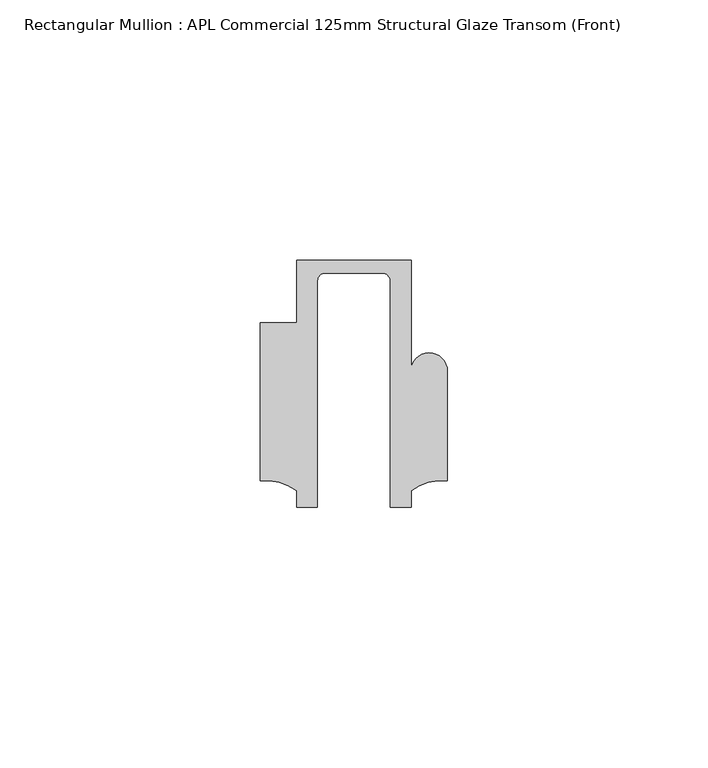
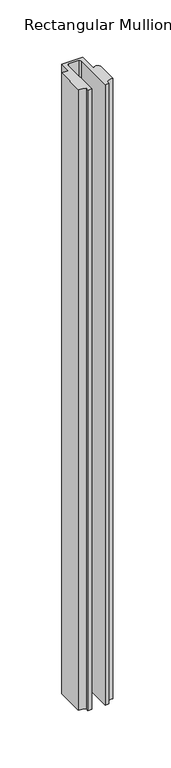
"""IFC4 building model written with IfcOpenShell, lengths in millimetres: member geometry, Rectangular Mullion : APL Commercial 125mm Structural Glaze Transom (Front)."""

from ifc_helpers import new_model, si_unit, frame, origin, place, context, project, spatial, polyline, circle_curve, source, transform, mapped, element, save
from ifc_brep_helpers import plane_surface, cylinder_surface, revolved_surface, advanced_brep


def rectangular_mullion_apl_commercial_125mm_structural_glaze_d2bfa879(model_context):
    return source(origin(), model_context, "Body", "AdvancedBrep", [
        advanced_brep(
        [(-11.0000151, 27.0, 0.0), (-11.0000151, 15.0006281, 0.0), (-17.9999542, 15.0006281, 0.0), (-17.9999542, -15.3797475, 0.0), (-10.9999994, -17.3125325, 0.0), (-10.9999994, -20.5, 0.0), (-6.9999853, -20.5, 0.0), (-6.9999853, 22.9976091, 0.0), (-5.4999873, 24.5, 0.0), (5.4999872, 24.5, 0.0), (6.9999849, 22.9973451, 0.0), (6.9999849, -20.5, 0.0), (11.0000151, -20.5, 0.0), (11.0000151, -17.3125212, 0.0), (17.9999542, -15.3797475, 0.0), (17.9999542, 5.684606, 0.0), (11.001071, 5.5848769, 0.0), (11.001071, 27.0, 0.0), (-11.0000151, 27.0, -688.0250761), (11.001071, 27.0, -688.0250761), (11.001071, 5.5848769, -688.0250761), (17.9999091, 5.6750512, -688.0250761), (17.9999542, -15.3797475, -688.0250761), (11.0000151, -17.3125212, -688.0250761), (11.0000151, -20.5, -688.0250761), (6.9999849, -20.5, -688.0250761), (6.9999849, 22.9973451, -688.0250761), (5.4999872, 24.5, -688.0250761), (-5.4999873, 24.5, -688.0250761), (-6.9999853, 22.9976091, -688.0250761), (-6.9999853, -20.5, -688.0250761), (-10.9999994, -20.5, -688.0250761), (-10.9999994, -17.3125325, -688.0250761), (-17.9999542, -15.3797475, -688.0250761), (-17.9999542, 15.0006281, -688.0250761), (-11.0000151, 15.0006281, -688.0250761)],
        [
            (0, 1),
            (1, 2),
            (2, 3),
            (3, 4, circle_curve(frame((-17.109817, -25.7981812, 0.0), z_axis=(0.0, 0.0, -1.0), x_axis=(0.0, 1.0, 0.0)), 10.4563907)),
            (4, 5),
            (5, 6),
            (6, 7),
            (7, 8, circle_curve(frame((-5.4999873, 23.0, 0.0), z_axis=(0.0, 0.0, -1.0), x_axis=(2.7320010112268853e-08, 0.9999999999999997, 0.0)), 1.5)),
            (8, 9),
            (9, 10, circle_curve(frame((5.4999872, 23.0, 0.0), z_axis=(0.0, 0.0, -1.0), x_axis=(0.9999999999999986, -5.463622857820516e-08, 0.0)), 1.5)),
            (10, 11),
            (11, 12),
            (12, 13),
            (13, 14, circle_curve(frame((17.109817, -25.7981812, 0.0), z_axis=(0.0, 0.0, -1.0), x_axis=(0.0, 1.0, 0.0)), 10.4563907)),
            (14, 15),
            (15, 16, circle_curve(frame((14.4999091, 5.6750512, 0.0), z_axis=(0.0, 0.0, 1.0), x_axis=(-0.9999826028573957, -0.005898642432633649, 0.0)), 3.5)),
            (16, 17),
            (17, 0),
            (18, 19),
            (19, 20),
            (20, 21, circle_curve(frame((14.4999091, 5.6750512, -688.0250761), z_axis=(0.0, 0.0, -1.0), x_axis=(-0.9999826028573957, -0.005898642432633649, 0.0)), 3.5)),
            (21, 22),
            (22, 23, circle_curve(frame((17.109817, -25.7981812, -688.0250761), z_axis=(0.0, 0.0, 1.0), x_axis=(0.0, 1.0, 0.0)), 10.4563907)),
            (23, 24),
            (24, 25),
            (25, 26),
            (26, 27, circle_curve(frame((5.4999872, 23.0, -688.0250761), z_axis=(0.0, 0.0, 1.0), x_axis=(0.9999999999999986, -5.463622857820516e-08, 0.0)), 1.5)),
            (27, 28),
            (28, 29, circle_curve(frame((-5.4999873, 23.0, -688.0250761), z_axis=(0.0, 0.0, 1.0), x_axis=(2.7320010112268853e-08, 0.9999999999999997, 0.0)), 1.5)),
            (29, 30),
            (30, 31),
            (31, 32),
            (32, 33, circle_curve(frame((-17.109817, -25.7981812, -688.0250761), z_axis=(0.0, 0.0, 1.0), x_axis=(0.0, 1.0, 0.0)), 10.4563907)),
            (33, 34),
            (34, 35),
            (35, 18),
            (0, 18),
            (35, 1),
            (34, 2),
            (33, 3),
            (32, 4),
            (31, 5),
            (30, 6),
            (29, 7),
            (28, 8),
            (27, 9),
            (26, 10),
            (25, 11),
            (24, 12),
            (23, 13),
            (22, 14),
            (21, 15),
            (20, 16),
            (19, 17),
        ],
        [
            plane_surface(frame((0.0, -29.1551636, 0.0), z_axis=(0.0, 0.0, 1.0), x_axis=(-1.0, 0.0, 0.0))),
            plane_surface(frame((0.0, -29.1551636, -688.0250761), z_axis=(0.0, 0.0, -1.0), x_axis=(-1.0, 0.0, 0.0))),
            plane_surface(frame((-11.0000151, 27.0, 0.0), z_axis=(-1.0, 0.0, 0.0), x_axis=(0.0, 0.0, -1.0))),
            plane_surface(frame((-11.0000151, 15.0006281, 0.0), z_axis=(0.0, 1.0, 0.0), x_axis=(0.0, 0.0, -1.0))),
            plane_surface(frame((-17.9999542, 15.0006281, 0.0), z_axis=(-1.0, 0.0, 0.0), x_axis=(0.0, 0.0, -1.0))),
            revolved_surface(polyline([(-17.109817, -15.341790499999998, -688.0250761), (-17.109817, -15.341790499999998, 0.0)]), (-17.109817, -25.7981812, 0.0), (0.0, 0.0, -1.0)),
            plane_surface(frame((-10.9999994, -17.3125325, 0.0), z_axis=(-1.0, 0.0, 0.0), x_axis=(0.0, 0.0, -1.0))),
            plane_surface(frame((-10.9999994, -20.5, 0.0), z_axis=(0.0, -1.0, 0.0), x_axis=(0.0, 0.0, -1.0))),
            plane_surface(frame((-6.9999853, -20.5, 0.0), z_axis=(1.0, 0.0, 0.0), x_axis=(0.0, 0.0, -1.0))),
            revolved_surface(polyline([(-5.499987259019985, 24.5, -688.0250761), (-5.499987259019985, 24.5, 0.0)]), (-5.4999873, 23.0, 0.0), (0.0, 0.0, -1.0)),
            plane_surface(frame((-5.4999873, 24.5, 0.0), z_axis=(0.0, -1.0, 0.0), x_axis=(0.0, 0.0, -1.0))),
            revolved_surface(polyline([(6.999987199999998, 22.999999918045656, -688.0250761), (6.999987199999998, 22.999999918045656, 0.0)]), (5.4999872, 23.0, 0.0), (0.0, 0.0, -1.0)),
            plane_surface(frame((6.9999849, 22.9973451, 0.0), z_axis=(-1.0, 0.0, 0.0), x_axis=(0.0, 0.0, -1.0))),
            plane_surface(frame((6.9999849, -20.5, 0.0), z_axis=(0.0, -1.0, 0.0), x_axis=(0.0, 0.0, -1.0))),
            plane_surface(frame((11.0000151, -20.5, 0.0), z_axis=(1.0, 0.0, 0.0), x_axis=(0.0, 0.0, -1.0))),
            revolved_surface(polyline([(17.109817, -15.341790499999998, -688.0250761), (17.109817, -15.341790499999998, 0.0)]), (17.109817, -25.7981812, 0.0), (0.0, 0.0, -1.0)),
            plane_surface(frame((17.9999542, -15.3797475, 0.0), z_axis=(1.0, 0.0, 0.0), x_axis=(0.0, 0.0, -1.0))),
            cylinder_surface(frame((14.4999091, 5.6750512, 0.0), z_axis=(0.0, 0.0, 1.0), x_axis=(-0.9999826028573957, -0.005898642432633649, 0.0)), 3.5),
            plane_surface(frame((11.001071, 5.5848769, 0.0), z_axis=(1.0, 0.0, 0.0), x_axis=(0.0, 0.0, -1.0))),
            plane_surface(frame((11.001071, 27.0, 0.0), z_axis=(0.0, 1.0, 0.0), x_axis=(0.0, 0.0, -1.0))),
        ],
        [
            (0, [[1, 2, 3, 4, 5, 6, 7, 8, 9, 10, 11, 12, 13, 14, 15, 16, 17, 18]]),
            (1, [[19, 20, 21, 22, 23, 24, 25, 26, 27, 28, 29, 30, 31, 32, 33, 34, 35, 36]]),
            (2, [[-1, 37, -36, 38]]),
            (3, [[-2, -38, -35, 39]]),
            (4, [[-3, -39, -34, 40]]),
            (5, [[-4, -40, -33, 41]]),
            (6, [[-5, -41, -32, 42]]),
            (7, [[-6, -42, -31, 43]]),
            (8, [[-7, -43, -30, 44]]),
            (9, [[-8, -44, -29, 45]]),
            (10, [[-9, -45, -28, 46]]),
            (11, [[-10, -46, -27, 47]]),
            (12, [[-11, -47, -26, 48]]),
            (13, [[-12, -48, -25, 49]]),
            (14, [[-13, -49, -24, 50]]),
            (15, [[-14, -50, -23, 51]]),
            (16, [[-15, -51, -22, 52]]),
            (17, [[-16, -52, -21, 53]]),
            (18, [[-17, -53, -20, 54]]),
            (19, [[-18, -54, -19, -37]]),
        ],
    ),
    ])


if __name__ == "__main__":
    model = new_model("IFC4")
    model_context = context("Model", 3, world=origin())
    ifc_project = project(units=[si_unit("LENGTHUNIT", "METRE", prefix="MILLI")], contexts=[model_context])
    site = spatial("IfcSite", under=ifc_project)
    building = spatial("IfcBuilding", under=site)
    placement = place(None, origin())
    rectangular_mullion_apl_commercial_125mm_structural_glaze_shape = rectangular_mullion_apl_commercial_125mm_structural_glaze_d2bfa879(model_context)
    element("IfcMember", 1, ObjectType="Rectangular Mullion : APL Commercial 125mm Structural Glaze Transom (Front)", at=placement, inside=building, context=model_context, shape_type="MappedRepresentation", body=[
        mapped(rectangular_mullion_apl_commercial_125mm_structural_glaze_shape, transform((0.0, 0.0, 0.0), x_axis=(1.0, 0.0, 0.0), y_axis=(0.0, 1.0, 0.0), z_axis=(0.0, 0.0, 1.0))),
    ])
    save(model, "model.ifc")
